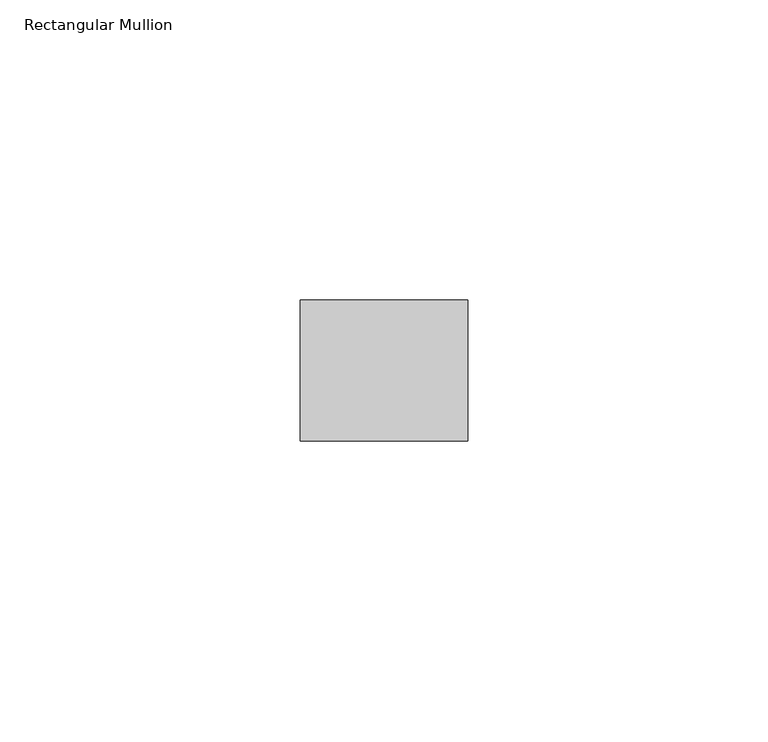
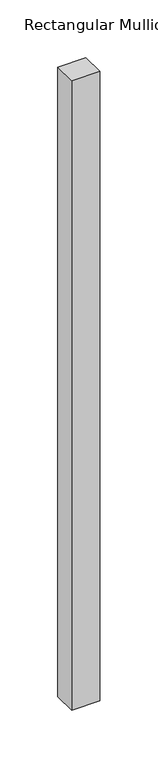
"""IFC4 building model written with IfcOpenShell, lengths in millimetres: member geometry, Rectangular Mullion."""

from ifc_helpers import new_model, si_unit, frame, origin, place, context, project, spatial, polyline, outline, extrude, source, transform, mapped, element, save


def rectangular_mullion_84c345e6(model_context):
    return source(origin(), model_context, "Body", "SweptSolid", [
        extrude(outline(polyline([(0.0, -11.7474999), (-27.94, -11.7474999), (-27.94, 11.7474999), (0.0, 11.7474999), (0.0, -11.7474999)])), frame((0.0, 0.0, -663.11145), z_axis=(0.0, 0.0, 1.0), x_axis=(1.0, 0.0, 0.0)), (0.0, 0.0, 1.0), 663.11145),
    ])


if __name__ == "__main__":
    model = new_model("IFC4")
    model_context = context("Model", 3, world=origin())
    ifc_project = project(units=[si_unit("LENGTHUNIT", "METRE", prefix="MILLI")], contexts=[model_context])
    site = spatial("IfcSite", under=ifc_project)
    building = spatial("IfcBuilding", under=site)
    placement = place(None, origin())
    rectangular_mullion_shape = rectangular_mullion_84c345e6(model_context)
    element("IfcMember", 1, ObjectType="Rectangular Mullion", at=placement, inside=building, context=model_context, shape_type="MappedRepresentation", body=[
        mapped(rectangular_mullion_shape, transform((0.0, 0.0, 0.0), x_axis=(1.0, 0.0, 0.0), y_axis=(0.0, 1.0, 0.0), z_axis=(0.0, 0.0, 1.0))),
    ])
    save(model, "model.ifc")
